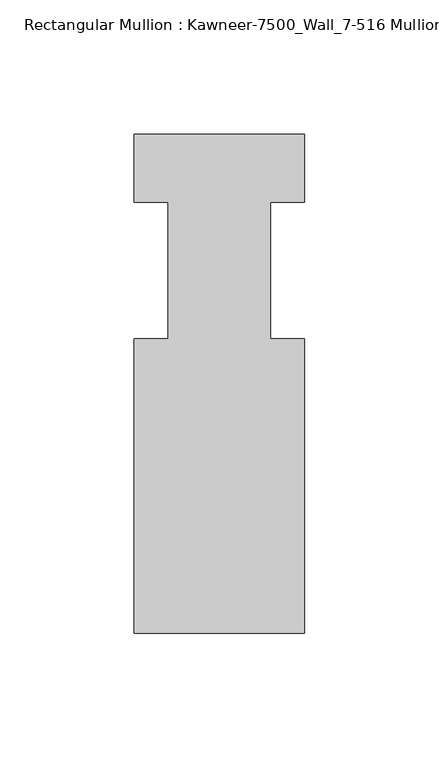
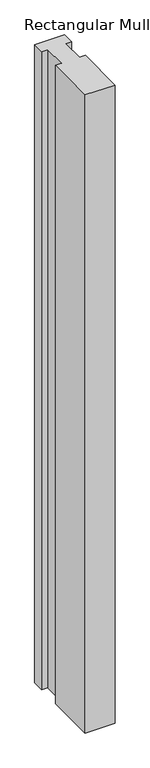
"""IFC4 building model written with IfcOpenShell, lengths in millimetres: member geometry, Rectangular Mullion : Kawneer-7500_Wall_7-516 Mullion_Horizontal."""

from ifc_helpers import new_model, si_unit, frame, origin, place, context, project, spatial, polyline, outline, extrude, source, transform, mapped, element, save


def rectangular_mullion_kawneer_7500_wall_7_516_mullion_a3370d46(model_context):
    return source(origin(), model_context, "Body", "SweptSolid", [
        extrude(outline(polyline([(36.0844027, -134.9375), (-27.4155973, -134.9375), (-27.4155973, -25.4), (-14.7155973, -25.4), (-14.7155973, 25.4), (-27.4155973, 25.4), (-27.4155973, 50.8), (36.0844027, 50.8), (36.0844027, 25.4), (23.3826322, 25.4), (23.3826322, -25.4), (36.0844027, -25.4), (36.0844027, -134.9375)])), frame((0.0, 0.0, -1433.0844027), z_axis=(0.0, 0.0, 1.0), x_axis=(1.0, 0.0, 0.0)), (0.0, 0.0, 1.0), 1433.0844027),
    ])


if __name__ == "__main__":
    model = new_model("IFC4")
    model_context = context("Model", 3, world=origin())
    ifc_project = project(units=[si_unit("LENGTHUNIT", "METRE", prefix="MILLI")], contexts=[model_context])
    site = spatial("IfcSite", under=ifc_project)
    building = spatial("IfcBuilding", under=site)
    placement = place(None, origin())
    rectangular_mullion_kawneer_7500_wall_7_516_mullion_shape = rectangular_mullion_kawneer_7500_wall_7_516_mullion_a3370d46(model_context)
    element("IfcMember", 1, ObjectType="Rectangular Mullion : Kawneer-7500_Wall_7-516 Mullion_Horizontal", at=placement, inside=building, context=model_context, shape_type="MappedRepresentation", body=[
        mapped(rectangular_mullion_kawneer_7500_wall_7_516_mullion_shape, transform((0.0, 0.0, 0.0), x_axis=(1.0, 0.0, 0.0), y_axis=(0.0, 1.0, 0.0), z_axis=(0.0, 0.0, 1.0))),
    ])
    save(model, "model.ifc")
